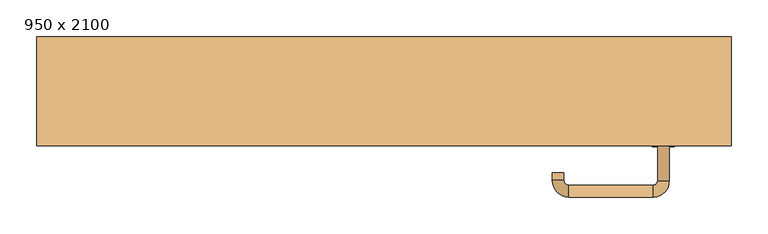
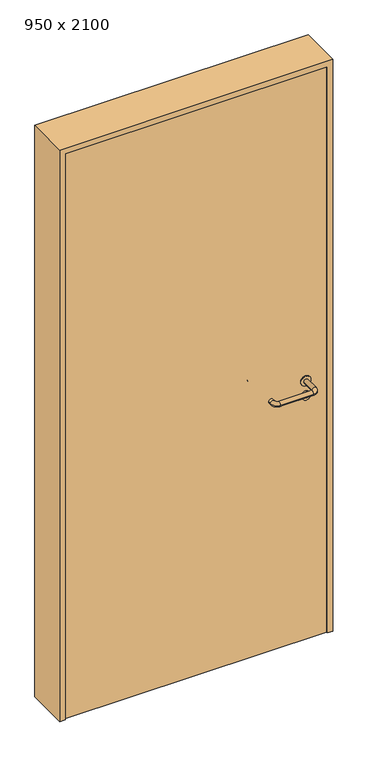
"""IFC4 building model written with IfcOpenShell, lengths in millimetres: door geometry, 950 x 2100."""

from ifc_helpers import new_model, si_unit, point, frame, frame_2d, origin, origin_with_axes, place, context, project, spatial, polyline, circle_curve, ellipse_curve, trimmed, segment, composite_curve, outline, extrude, source, transform, mapped, element, save
from ifc_brep_helpers import plane_surface, cylinder_surface, revolved_surface, advanced_brep


def door_950_x_2100_0611b670(model_context):
    return source(origin(), model_context, "Body", "SolidModel", [
        extrude(outline(composite_curve([segment(trimmed(circle_curve(frame_2d((897.3605726, 382.0)), 15.0), [point((897.3605726, 397.0))], [point((897.3605726, 367.0))], False, "CARTESIAN"), True, "CONTINUOUS"), segment(trimmed(circle_curve(frame_2d((897.3605726, 382.0)), 15.0), [point((897.3605726, 367.0))], [point((897.3605726, 397.0))], False, "CARTESIAN"), True, "CONTINUOUS")], self_intersect=False), holes=[composite_curve([segment(trimmed(circle_curve(frame_2d((892.5833211, 381.9398032)), 2.0), [point((892.5833211, 383.9398032))], [point((892.5833211, 379.9398032))], True, "CARTESIAN"), True, "CONTINUOUS"), segment(polyline([(892.5833211, 379.9398032), (902.5833211, 379.9398032)]), True, "CONTINUOUS"), segment(trimmed(circle_curve(frame_2d((902.5833211, 381.9398032)), 2.0), [point((902.5833211, 379.9398032))], [point((902.5833211, 383.9398032))], True, "CARTESIAN"), True, "CONTINUOUS"), segment(polyline([(902.5833211, 383.9398032), (892.5833211, 383.9398032)]), True, "CONTINUOUS")], self_intersect=False)]), frame((0.0, -40.0, 0.0), z_axis=(0.0, 1.0, 0.0), x_axis=(0.0, 0.0, 1.0)), (0.0, 0.0, 1.0), 6.35),
        extrude(outline(composite_curve([segment(trimmed(circle_curve(frame_2d((950.0, 382.0)), 17.526), [point((950.0, 399.526))], [point((950.0, 364.474))], False, "CARTESIAN"), True, "CONTINUOUS"), segment(trimmed(circle_curve(frame_2d((950.0, 382.0)), 17.526), [point((950.0, 364.474))], [point((950.0, 399.526))], False, "CARTESIAN"), True, "CONTINUOUS")], self_intersect=False)), frame((0.0, -40.0, 0.0), z_axis=(0.0, 1.0, 0.0), x_axis=(0.0, 0.0, 1.0)), (0.0, 0.0, 1.0), 3.175),
        advanced_brep(
        [(390.0, -40.0, 950.0), (374.0, -40.0, 950.0), (390.0, 13.0, 950.0), (374.0, 13.0, 950.0), (367.8578644, 19.1421356, 950.0), (367.8578644, 35.1421356, 950.0), (252.8578644, 35.1421356, 950.0), (252.8578644, 19.1421356, 950.0), (246.008622, 12.2928932, 950.0), (230.008622, 12.2928932, 950.0), (230.008622, 2.2928932, 950.0), (246.008622, 2.2928932, 950.0)],
        [
            (0, 1, circle_curve(frame((382.0, -40.0, 950.0), z_axis=(0.0, -1.0, 0.0), x_axis=(-1.0, 0.0, 0.0)), 8.0)),
            (1, 0, circle_curve(frame((382.0, -40.0, 950.0), z_axis=(0.0, -1.0, 0.0), x_axis=(-1.0, 0.0, 0.0)), 8.0)),
            (0, 2),
            (2, 3, circle_curve(frame((382.0, 13.0, 950.0), z_axis=(0.0, -1.0, 0.0), x_axis=(-1.0, 0.0, 0.0)), 8.0)),
            (3, 1),
            (3, 2, circle_curve(frame((382.0, 13.0, 950.0), z_axis=(0.0, -1.0, 0.0), x_axis=(-1.0, 0.0, 0.0)), 8.0)),
            (4, 3, circle_curve(frame((367.8578644, 13.0, 950.0), z_axis=(0.0, 0.0, -1.0), x_axis=(1.0, 0.0, 0.0)), 6.1421356)),
            (2, 5, circle_curve(frame((367.8578644, 13.0, 950.0), z_axis=(0.0, 0.0, 1.0), x_axis=(1.0, 0.0, 0.0)), 22.1421356)),
            (5, 4, circle_curve(frame((367.8578644, 27.1421356, 950.0), z_axis=(1.0, 0.0, 0.0), x_axis=(0.0, -1.0, 0.0)), 8.0)),
            (4, 5, circle_curve(frame((367.8578644, 27.1421356, 950.0), z_axis=(1.0, 0.0, 0.0), x_axis=(0.0, -1.0, 0.0)), 8.0)),
            (5, 6),
            (6, 7, circle_curve(frame((252.8578644, 27.1421356, 950.0), z_axis=(1.0, 0.0, 0.0), x_axis=(0.0, -1.0, 0.0)), 8.0)),
            (7, 4),
            (7, 6, circle_curve(frame((252.8578644, 27.1421356, 950.0), z_axis=(1.0, 0.0, 0.0), x_axis=(0.0, -1.0, 0.0)), 8.0)),
            (8, 7, circle_curve(frame((252.8578644, 12.2928932, 950.0), z_axis=(0.0, 0.0, -1.0), x_axis=(0.0, 1.0, 0.0)), 6.8492424)),
            (6, 9, circle_curve(frame((252.8578644, 12.2928932, 950.0), z_axis=(0.0, 0.0, 1.0), x_axis=(0.0, 1.0, 0.0)), 22.8492424)),
            (9, 8, circle_curve(frame((238.008622, 12.2928932, 950.0), z_axis=(0.0, 1.0, 0.0), x_axis=(1.0, 0.0, 0.0)), 8.0)),
            (8, 9, circle_curve(frame((238.008622, 12.2928932, 950.0), z_axis=(0.0, 1.0, 0.0), x_axis=(1.0, 0.0, 0.0)), 8.0)),
            (10, 11, circle_curve(frame((238.008622, 2.2928932, 950.0), z_axis=(0.0, -1.0, 0.0), x_axis=(1.0, 0.0, 0.0)), 8.0)),
            (11, 10, circle_curve(frame((238.008622, 2.2928932, 950.0), z_axis=(0.0, -1.0, 0.0), x_axis=(1.0, 0.0, 0.0)), 8.0)),
            (9, 10),
            (11, 8),
        ],
        [
            plane_surface(frame((382.0, -40.0, 0.0), z_axis=(0.0, -1.0, 0.0), x_axis=(0.0, 0.0, 1.0))),
            cylinder_surface(frame((382.0, -40.0, 950.0), z_axis=(0.0, -1.0, 0.0), x_axis=(-1.0, 0.0, 0.0)), 8.0),
            revolved_surface(trimmed(ellipse_curve(frame((382.0, 13.0, 950.0), z_axis=(0.0, -1.0, 0.0), x_axis=(-1.0, 0.0, 0.0)), 8.0, 8.0), [point((390.0, 13.0, 950.0))], [point((374.0, 13.0, 950.0))], True, "CARTESIAN"), (367.8578644, 13.0, 0.0), (0.0, 0.0, 1.0)),
            revolved_surface(trimmed(ellipse_curve(frame((382.0, 13.0, 950.0), z_axis=(0.0, -1.0, 0.0), x_axis=(-1.0, 0.0, 0.0)), 8.0, 8.0), [point((374.0, 13.0, 950.0))], [point((390.0, 13.0, 950.0))], True, "CARTESIAN"), (367.8578644, 13.0, 0.0), (0.0, 0.0, 1.0)),
            cylinder_surface(frame((367.8578644, 27.1421356, 950.0), z_axis=(1.0, 0.0, 0.0), x_axis=(0.0, -1.0, 0.0)), 8.0),
            revolved_surface(trimmed(ellipse_curve(frame((252.8578644, 27.1421356, 950.0), z_axis=(1.0, 0.0, 0.0), x_axis=(0.0, -1.0, 0.0)), 8.0, 8.0), [point((252.8578644, 35.1421356, 950.0))], [point((252.8578644, 19.1421356, 950.0))], True, "CARTESIAN"), (252.8578644, 12.2928932, 0.0), (0.0, 0.0, 1.0)),
            revolved_surface(trimmed(ellipse_curve(frame((252.8578644, 27.1421356, 950.0), z_axis=(1.0, 0.0, 0.0), x_axis=(0.0, -1.0, 0.0)), 8.0, 8.0), [point((252.8578644, 19.1421356, 950.0))], [point((252.8578644, 35.1421356, 950.0))], True, "CARTESIAN"), (252.8578644, 12.2928932, 0.0), (0.0, 0.0, 1.0)),
            plane_surface(frame((238.008622, 2.2928932, 0.0), z_axis=(0.0, -1.0, 0.0), x_axis=(0.0, 0.0, 1.0))),
            cylinder_surface(frame((238.008622, 12.2928932, 950.0), z_axis=(0.0, 1.0, 0.0), x_axis=(1.0, 0.0, 0.0)), 8.0),
        ],
        [
            (0, [[1, 2]]),
            (1, [[-1, 3, 4, 5]]),
            (1, [[-2, -5, 6, -3]]),
            (2, [[7, -4, 8, 9]]),
            (3, [[-8, -6, -7, 10]]),
            (4, [[-9, 11, 12, 13]]),
            (4, [[-10, -13, 14, -11]]),
            (5, [[15, -12, 16, 17]]),
            (6, [[-16, -14, -15, 18]]),
            (7, [[19, 20]]),
            (8, [[-17, 21, -20, 22]]),
            (8, [[-18, -22, -19, -21]]),
        ],
    ),
        extrude(outline(composite_curve([segment(trimmed(circle_curve(frame_2d((0.0, 15.0)), 15.0), [point((0.0, 30.0))], [point((0.0, 0.0))], False, "CARTESIAN"), True, "CONTINUOUS"), segment(trimmed(circle_curve(frame_2d((0.0, 15.0)), 15.0), [point((0.0, 0.0))], [point((0.0, 30.0))], False, "CARTESIAN"), True, "CONTINUOUS")], self_intersect=False), holes=[composite_curve([segment(trimmed(circle_curve(frame_2d((-4.7772515, 14.9398032)), 2.0), [point((-4.7772515, 16.9398032))], [point((-4.7772515, 12.9398032))], True, "CARTESIAN"), True, "CONTINUOUS"), segment(polyline([(-4.7772515, 12.9398032), (5.2227485, 12.9398032)]), True, "CONTINUOUS"), segment(trimmed(circle_curve(frame_2d((5.2227485, 14.9398032)), 2.0), [point((5.2227485, 12.9398032))], [point((5.2227485, 16.9398032))], True, "CARTESIAN"), True, "CONTINUOUS"), segment(polyline([(5.2227485, 16.9398032), (-4.7772515, 16.9398032)]), True, "CONTINUOUS")], self_intersect=False)]), frame((367.0, -76.35, 897.3605726), z_axis=(-1.8870575173328306e-12, 1.0, 0.0), x_axis=(0.0, 0.0, 1.0)), (0.0, 0.0, 1.0), 6.35),
        extrude(outline(composite_curve([segment(trimmed(circle_curve(frame_2d((0.0, 17.526)), 17.526), [point((0.0, 35.052))], [point((0.0, 0.0))], False, "CARTESIAN"), True, "CONTINUOUS"), segment(trimmed(circle_curve(frame_2d((0.0, 17.526)), 17.526), [point((0.0, 0.0))], [point((0.0, 35.052))], False, "CARTESIAN"), True, "CONTINUOUS")], self_intersect=False)), frame((364.474, -73.175, 950.0), z_axis=(-1.8870575173328306e-12, 1.0, 0.0), x_axis=(0.0, 0.0, 1.0)), (0.0, 0.0, 1.0), 3.175),
        advanced_brep(
        [(390.0, -70.0, 950.0), (374.0, -70.0, 950.0), (374.0, -123.0, 950.0), (390.0, -123.0, 950.0), (367.8578644, -129.1421356, 950.0), (367.8578644, -145.1421356, 950.0), (252.8578644, -129.1421356, 950.0), (252.8578644, -145.1421356, 950.0), (246.008622, -122.2928932, 950.0), (230.008622, -122.2928932, 950.0), (230.008622, -112.2928932, 950.0), (246.008622, -112.2928932, 950.0)],
        [
            (0, 1, circle_curve(frame((382.0, -70.0, 950.0), z_axis=(-1.888672253512351e-12, 1.0, 0.0), x_axis=(-1.0, -1.888672253512351e-12, 0.0)), 8.0)),
            (1, 0, circle_curve(frame((382.0, -70.0, 950.0), z_axis=(-1.888672253512351e-12, 1.0, 0.0), x_axis=(-1.0, -1.888672253512351e-12, 0.0)), 8.0)),
            (1, 2),
            (2, 3, circle_curve(frame((382.0, -123.0, 950.0), z_axis=(-1.888672253512351e-12, 1.0, 0.0), x_axis=(-1.0, -1.888672253512351e-12, 0.0)), 8.0)),
            (3, 0),
            (3, 2, circle_curve(frame((382.0, -123.0, 950.0), z_axis=(-1.888672253512351e-12, 1.0, 0.0), x_axis=(-1.0, -1.888672253512351e-12, 0.0)), 8.0)),
            (4, 5, circle_curve(frame((367.8578644, -137.1421356, 950.0), z_axis=(1.0, 1.913702061528922e-12, 0.0), x_axis=(-1.913702061528922e-12, 1.0, 0.0)), 8.0)),
            (5, 3, circle_curve(frame((367.8578644, -123.0, 950.0), z_axis=(0.0, 0.0, 1.0), x_axis=(1.0, 1.880717803715015e-12, 0.0)), 22.1421356)),
            (2, 4, circle_curve(frame((367.8578644, -123.0, 950.0), z_axis=(0.0, 0.0, -1.0), x_axis=(1.0, 1.880717803715015e-12, 0.0)), 6.1421356)),
            (5, 4, circle_curve(frame((367.8578644, -137.1421356, 950.0), z_axis=(1.0, 1.913702061528922e-12, 0.0), x_axis=(-1.913702061528922e-12, 1.0, 0.0)), 8.0)),
            (4, 6),
            (6, 7, circle_curve(frame((252.8578644, -137.1421356, 950.0), z_axis=(1.0, 1.913719828541269e-12, 0.0), x_axis=(-1.913719828541269e-12, 1.0, 0.0)), 8.0)),
            (7, 5),
            (7, 6, circle_curve(frame((252.8578644, -137.1421356, 950.0), z_axis=(1.0, 1.913719828541269e-12, 0.0), x_axis=(-1.913719828541269e-12, 1.0, 0.0)), 8.0)),
            (8, 9, circle_curve(frame((238.008622, -122.2928932, 950.0), z_axis=(1.8888942981172756e-12, -1.0, 0.0), x_axis=(1.0, 1.8888942981172756e-12, 0.0)), 8.0)),
            (9, 7, circle_curve(frame((252.8578644, -122.2928932, 950.0), z_axis=(0.0, 0.0, 1.0), x_axis=(1.9120873253494017e-12, -1.0, 0.0)), 22.8492424)),
            (6, 8, circle_curve(frame((252.8578644, -122.2928932, 950.0), z_axis=(0.0, 0.0, -1.0), x_axis=(1.9120873253494017e-12, -1.0, 0.0)), 6.8492424)),
            (9, 8, circle_curve(frame((238.008622, -122.2928932, 950.0), z_axis=(1.890448610351751e-12, -1.0, 0.0), x_axis=(1.0, 1.890448610351751e-12, 0.0)), 8.0)),
            (10, 11, circle_curve(frame((238.008622, -112.2928932, 950.0), z_axis=(-1.8903642334018795e-12, 1.0, 0.0), x_axis=(1.0, 1.8903642334018795e-12, 0.0)), 8.0)),
            (11, 10, circle_curve(frame((238.008622, -112.2928932, 950.0), z_axis=(-1.8903642334018795e-12, 1.0, 0.0), x_axis=(1.0, 1.8903642334018795e-12, 0.0)), 8.0)),
            (8, 11),
            (10, 9),
        ],
        [
            plane_surface(frame((382.0, -70.0, 0.0), z_axis=(-1.8870575173328306e-12, 1.0, 0.0), x_axis=(0.0, 0.0, 1.0))),
            cylinder_surface(frame((382.0, -70.0, 950.0), z_axis=(-1.888672253512351e-12, 1.0, 0.0), x_axis=(-1.0, -1.888672253512351e-12, 0.0)), 8.0),
            revolved_surface(trimmed(ellipse_curve(frame((382.0, -123.0, 950.0), z_axis=(1.8823325398945356e-12, -1.0, 0.0), x_axis=(-1.0, -1.8823325398945356e-12, 0.0)), 8.0, 8.0), [point((390.0, -123.0, 950.0))], [point((374.0, -123.0, 950.0))], True, "CARTESIAN"), (367.8578644, -123.0, 0.0), (0.0, 0.0, 1.0)),
            revolved_surface(trimmed(ellipse_curve(frame((382.0, -123.0, 950.0), z_axis=(1.8823325398945356e-12, -1.0, 0.0), x_axis=(-1.0, -1.8823325398945356e-12, 0.0)), 8.0, 8.0), [point((374.0, -123.0, 950.0))], [point((390.0, -123.0, 950.0))], True, "CARTESIAN"), (367.8578644, -123.0, 0.0), (0.0, 0.0, 1.0)),
            cylinder_surface(frame((367.8578644, -137.1421356, 950.0), z_axis=(1.0, 1.913719828541269e-12, 0.0), x_axis=(-1.913719828541269e-12, 1.0, 0.0)), 8.0),
            revolved_surface(trimmed(ellipse_curve(frame((252.8578644, -137.1421356, 950.0), z_axis=(-1.0, -1.913702061528922e-12, 0.0), x_axis=(-1.913702061528922e-12, 1.0, 0.0)), 8.0, 8.0), [point((252.8578644, -145.1421356, 950.0))], [point((252.8578644, -129.1421356, 950.0))], True, "CARTESIAN"), (252.8578644, -122.2928932, 0.0), (0.0, 0.0, 1.0)),
            revolved_surface(trimmed(ellipse_curve(frame((252.8578644, -137.1421356, 950.0), z_axis=(-1.0, -1.913702061528922e-12, 0.0), x_axis=(-1.913702061528922e-12, 1.0, 0.0)), 8.0, 8.0), [point((252.8578644, -129.1421356, 950.0))], [point((252.8578644, -145.1421356, 950.0))], True, "CARTESIAN"), (252.8578644, -122.2928932, 0.0), (0.0, 0.0, 1.0)),
            plane_surface(frame((238.008622, -112.2928932, 0.0), z_axis=(-1.8887494972223595e-12, 1.0, 0.0), x_axis=(0.0, 0.0, 1.0))),
            cylinder_surface(frame((238.008622, -122.2928932, 950.0), z_axis=(1.8903642334018795e-12, -1.0, 0.0), x_axis=(1.0, 1.8903642334018795e-12, 0.0)), 8.0),
        ],
        [
            (0, [[1, 2]]),
            (1, [[3, 4, 5, -2]]),
            (1, [[-5, 6, -3, -1]]),
            (2, [[7, 8, -4, 9]]),
            (3, [[10, -9, -6, -8]]),
            (4, [[11, 12, 13, -7]]),
            (4, [[-13, 14, -11, -10]]),
            (5, [[15, 16, -12, 17]]),
            (6, [[18, -17, -14, -16]]),
            (7, [[19, 20]]),
            (8, [[21, -19, 22, -15]]),
            (8, [[-22, -20, -21, -18]]),
        ],
    ),
        extrude(outline(polyline([(2080.0, 455.0), (0.0, 455.0), (0.0, 475.0), (2100.0, 475.0), (2100.0, -475.0), (0.0, -475.0), (0.0, -455.0), (2080.0, -455.0), (2080.0, 455.0)])), frame((0.0, -75.0, 0.0), z_axis=(0.0, 1.0, 0.0), x_axis=(0.0, 0.0, 1.0)), (0.0, 0.0, 1.0), 149.0),
        extrude(outline(polyline([(-455.0, -70.0), (-455.0, -40.0), (455.0, -40.0), (455.0, -70.0), (-455.0, -70.0)])), origin_with_axes(), (0.0, 0.0, 1.0), 2080.0),
    ])


if __name__ == "__main__":
    model = new_model("IFC4")
    model_context = context("Model", 3, world=origin())
    ifc_project = project(units=[si_unit("LENGTHUNIT", "METRE", prefix="MILLI")], contexts=[model_context])
    site = spatial("IfcSite", under=ifc_project)
    building = spatial("IfcBuilding", under=site)
    placement = place(None, origin())
    door_950_x_2100_shape = door_950_x_2100_0611b670(model_context)
    element("IfcDoor", 1, ObjectType="950 x 2100", at=placement, inside=building, context=model_context, shape_type="MappedRepresentation", body=[
        mapped(door_950_x_2100_shape, transform((0.0, 0.0, 0.0), x_axis=(1.0, 0.0, 0.0), y_axis=(0.0, 1.0, 0.0), z_axis=(0.0, 0.0, 1.0))),
    ])
    save(model, "model.ifc")
